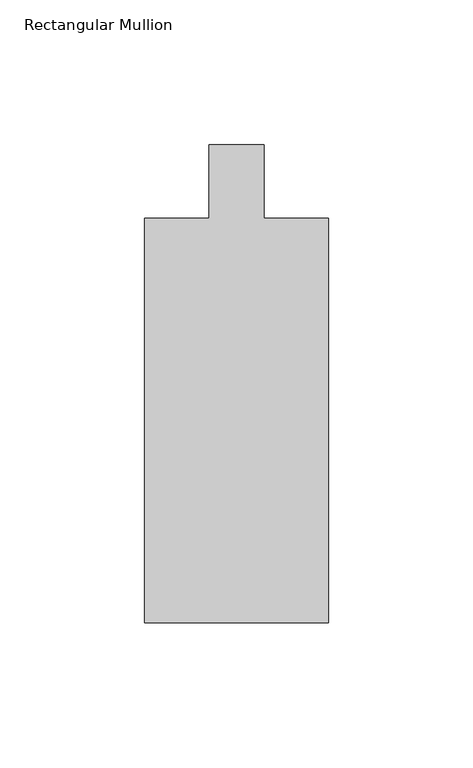
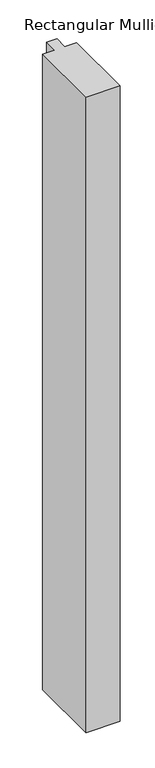
"""IFC4 building model written with IfcOpenShell, lengths in millimetres: member geometry, Rectangular Mullion."""

from ifc_helpers import new_model, si_unit, frame, origin, place, context, project, spatial, polyline, outline, extrude, source, transform, mapped, element, save


def rectangular_mullion_904962cf(model_context):
    return source(origin(), model_context, "Body", "SweptSolid", [
        extrude(outline(polyline([(0.0, -165.099995), (0.0, -25.4), (22.225, -25.4), (22.225, 0.0), (41.2752264, 0.0), (41.2752264, -25.4), (63.5001132, -25.4), (63.5001132, -165.099995), (0.0, -165.099995)])), frame((0.0, 0.0, -1250.95), z_axis=(0.0, 0.0, 1.0), x_axis=(1.0, 0.0, 0.0)), (0.0, 0.0, 1.0), 1250.95),
    ])


if __name__ == "__main__":
    model = new_model("IFC4")
    model_context = context("Model", 3, world=origin())
    ifc_project = project(units=[si_unit("LENGTHUNIT", "METRE", prefix="MILLI")], contexts=[model_context])
    site = spatial("IfcSite", under=ifc_project)
    building = spatial("IfcBuilding", under=site)
    placement = place(None, origin())
    rectangular_mullion_shape = rectangular_mullion_904962cf(model_context)
    element("IfcMember", 1, ObjectType="Rectangular Mullion", at=placement, inside=building, context=model_context, shape_type="MappedRepresentation", body=[
        mapped(rectangular_mullion_shape, transform((0.0, 0.0, 0.0), x_axis=(1.0, 0.0, 0.0), y_axis=(0.0, 1.0, 0.0), z_axis=(0.0, 0.0, 1.0))),
    ])
    save(model, "model.ifc")
